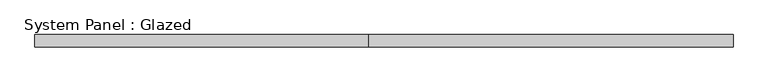
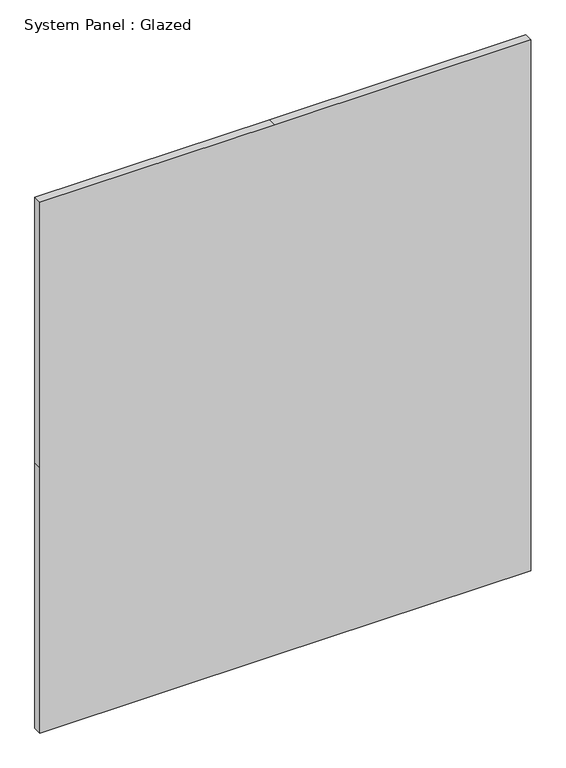
"""IFC4 building model written with IfcOpenShell, lengths in millimetres: plate geometry, System Panel : Glazed."""

from ifc_helpers import new_model, si_unit, frame, origin, place, context, project, spatial, polyline, outline, extrude, source, transform, mapped, element, save


def system_panel_glazed_b6479f19(model_context):
    return source(origin(), model_context, "Body", "SweptSolid", [
        extrude(outline(polyline([(0.0, -726.0166667), (0.0, -31.75), (0.0, 726.0166667), (830.0357143, 726.0166667), (1660.0714286, 726.0166667), (1660.0714286, -31.75), (1660.0714286, -726.0166667), (830.0357143, -726.0166667), (0.0, -726.0166667)])), frame((0.0, 19.05, 0.0), z_axis=(0.0, 1.0, 0.0), x_axis=(0.0, 0.0, 1.0)), (0.0, 0.0, 1.0), 25.4),
    ])


if __name__ == "__main__":
    model = new_model("IFC4")
    model_context = context("Model", 3, world=origin())
    ifc_project = project(units=[si_unit("LENGTHUNIT", "METRE", prefix="MILLI")], contexts=[model_context])
    site = spatial("IfcSite", under=ifc_project)
    building = spatial("IfcBuilding", under=site)
    placement = place(None, origin())
    system_panel_glazed_shape = system_panel_glazed_b6479f19(model_context)
    element("IfcPlate", 1, ObjectType="System Panel : Glazed", at=placement, inside=building, context=model_context, shape_type="MappedRepresentation", body=[
        mapped(system_panel_glazed_shape, transform((0.0, 0.0, 0.0), x_axis=(1.0, 0.0, 0.0), y_axis=(0.0, 1.0, 0.0), z_axis=(0.0, 0.0, 1.0))),
    ])
    save(model, "model.ifc")
